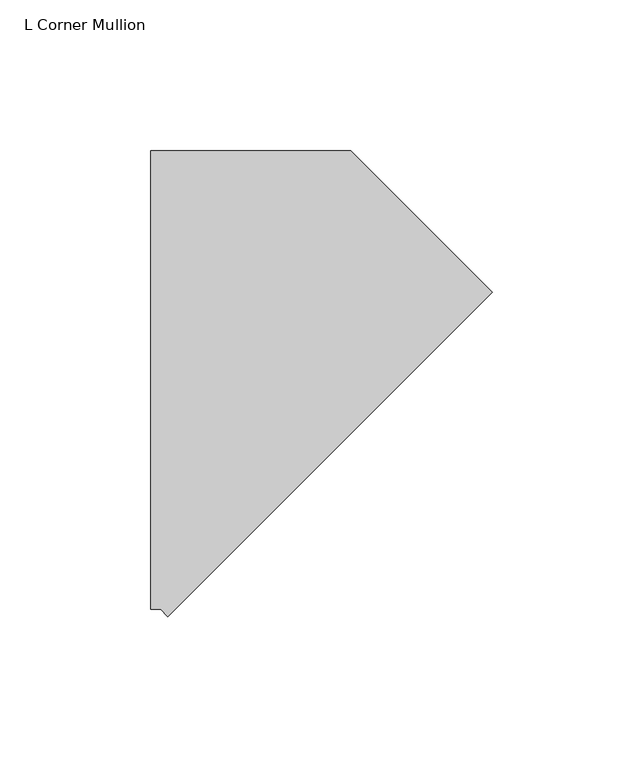
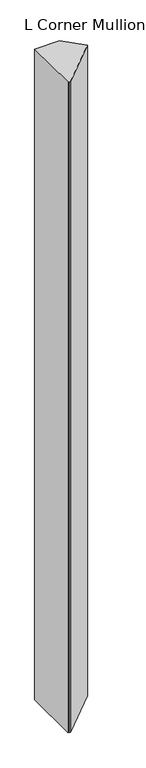
"""IFC4 building model written with IfcOpenShell, lengths in millimetres: member geometry, L Corner Mullion."""

import ifcopenshell
import ifcopenshell.guid

model = None  # the IFC model being written
_history = None  # IfcOwnerHistory: only IFC2X3 demands one
_inside = {}  # id of a spatial element -> (the spatial element, [elements in it])
_under = {}  # id of a project, library or spatial element -> (it, [spatial elements below it])
_declared = {}  # id of a project -> (the project, [libraries it declares])
_typed = {}  # id of a type object -> (the type object, [elements of that type])
_made_of = {}  # id of a material, layer set ... -> (it, [elements and type objects made of it])


def new_model(schema):
    """Start an empty IFC model of exactly this schema.

    Asked for "IFC4X3", IfcOpenShell would pick the latest addendum, in which some entities
    have other attributes; the version numbers below select the first issue.
    IFC2X3 requires an IfcOwnerHistory on every rooted entity: one is made here for all.
    """
    global model, _history
    if schema == "IFC4X3":
        model = ifcopenshell.file(schema_version=(4, 3, 0, 0))
    else:
        model = ifcopenshell.file(schema=schema)
    _inside.clear()
    _under.clear()
    _declared.clear()
    _typed.clear()
    _made_of.clear()
    _history = None
    if model.schema == "IFC2X3":
        org = make("IfcOrganization", Name="unknown")
        user = make(
            "IfcPersonAndOrganization",
            ThePerson=make("IfcPerson", FamilyName="unknown"),
            TheOrganization=org,
        )
        app = make(
            "IfcApplication",
            ApplicationDeveloper=org,
            Version="unknown",
            ApplicationFullName="unknown",
            ApplicationIdentifier="unknown",
        )
        _history = make(
            "IfcOwnerHistory",
            OwningUser=user,
            OwningApplication=app,
            ChangeAction="ADDED",
            CreationDate=0,
        )
    return model


def make(cls, **values):
    """One entity of the class cls with the attributes given. An attribute that is None is left unset."""
    return model.create_entity(
        cls, **{name: value for name, value in values.items() if value is not None}
    )


def rooted(cls, **values):
    """An entity with a GlobalId (a new one), such as an element, a storey or a relation."""
    return make(cls, GlobalId=ifcopenshell.guid.new(), OwnerHistory=_history, **values)


def si_unit(unit_type, name, prefix=None):
    """IfcSIUnit, for example si_unit("LENGTHUNIT", "METRE", prefix="MILLI")."""
    return make("IfcSIUnit", UnitType=unit_type, Prefix=prefix, Name=name)


def assignment(units):
    """IfcUnitAssignment: the units of a project."""
    return None if units is None else make("IfcUnitAssignment", Units=units)


def point(xyz):
    """IfcCartesianPoint."""
    return None if xyz is None else make("IfcCartesianPoint", Coordinates=xyz)


def direction(xyz):
    """IfcDirection."""
    return None if xyz is None else make("IfcDirection", DirectionRatios=xyz)


def frame(location, z_axis=None, x_axis=None):
    """IfcAxis2Placement3D, a coordinate frame: its origin and axes. An axis left out is left unset."""
    return make(
        "IfcAxis2Placement3D",
        Location=point(location),
        Axis=direction(z_axis),
        RefDirection=direction(x_axis),
    )


def origin():
    """The frame at (0, 0, 0) with its axes left unset."""
    return frame((0.0, 0.0, 0.0))


def place(relative_to, where):
    """IfcLocalPlacement: puts the frame where relative to a parent placement (None: the world)."""
    return make(
        "IfcLocalPlacement", PlacementRelTo=relative_to, RelativePlacement=where
    )


def context(
    kind, dimensions, precision=None, world=None, true_north=None, identifier=None
):
    """IfcGeometricRepresentationContext, for example the 3D "Model" context."""
    return make(
        "IfcGeometricRepresentationContext",
        ContextIdentifier=identifier,
        ContextType=kind,
        CoordinateSpaceDimension=dimensions,
        Precision=precision,
        WorldCoordinateSystem=world,
        TrueNorth=true_north,
    )


def project(units=None, contexts=None):
    """IfcProject with its units and contexts."""
    return rooted(
        "IfcProject",
        Name="project",
        RepresentationContexts=contexts,
        UnitsInContext=assignment(units),
    )


def spatial(cls, under=None, at=None, **own):
    """A site, building, storey or space (cls), placed at a placement, below another one or the project."""
    s = rooted(cls, ObjectPlacement=at, **own)
    if under is not None:
        _under.setdefault(under.id(), (under, []))[1].append(s)
    return s


def polyline(points):
    """IfcPolyline through the points."""
    return make("IfcPolyline", Points=[point(p) for p in points])


def outline(outer, holes=None, kind="AREA"):
    """IfcArbitraryClosedProfileDef: a profile drawn as a closed curve; with holes, ...WithVoids."""
    if holes is None:
        return make("IfcArbitraryClosedProfileDef", ProfileType=kind, OuterCurve=outer)
    return make(
        "IfcArbitraryProfileDefWithVoids",
        ProfileType=kind,
        OuterCurve=outer,
        InnerCurves=holes,
    )


def extrude(swept, where, along, depth):
    """IfcExtrudedAreaSolid: the profile swept, set in the frame where, extruded along a direction by depth."""
    return make(
        "IfcExtrudedAreaSolid",
        SweptArea=swept,
        Position=where,
        ExtrudedDirection=direction(along),
        Depth=depth,
    )


def shape(context_of_items, identifier, shape_type, items):
    """IfcShapeRepresentation: the items that make up one representation, for example the "Body"."""
    return make(
        "IfcShapeRepresentation",
        ContextOfItems=context_of_items,
        RepresentationIdentifier=identifier,
        RepresentationType=shape_type,
        Items=items,
    )


def source(mapping_origin, context_of_items, identifier, shape_type, items):
    """IfcRepresentationMap: a shape defined once, which mapped items show again and again."""
    return make(
        "IfcRepresentationMap",
        MappingOrigin=mapping_origin,
        MappedRepresentation=shape(context_of_items, identifier, shape_type, items),
    )


def transform(
    local_origin,
    x_axis=None,
    y_axis=None,
    z_axis=None,
    scale=None,
    scale2=None,
    scale3=None,
    uniform=True,
):
    """IfcCartesianTransformationOperator3D, or its non-uniform kind. x_axis, y_axis, z_axis: its Axis1, 2, 3."""
    if uniform:
        return make(
            "IfcCartesianTransformationOperator3D",
            Axis1=direction(x_axis),
            Axis2=direction(y_axis),
            LocalOrigin=point(local_origin),
            Scale=scale,
            Axis3=direction(z_axis),
        )
    return make(
        "IfcCartesianTransformationOperator3DnonUniform",
        Axis1=direction(x_axis),
        Axis2=direction(y_axis),
        LocalOrigin=point(local_origin),
        Scale=scale,
        Axis3=direction(z_axis),
        Scale2=scale2,
        Scale3=scale3,
    )


def mapped(mapping_source, mapping_target):
    """IfcMappedItem: shows the shape of a source again, moved by a transform."""
    return make(
        "IfcMappedItem", MappingSource=mapping_source, MappingTarget=mapping_target
    )


def made_of(thing, what):
    """Note that an element or type object is made of a material, layer set ...; save() writes the relation."""
    if what is not None:
        _made_of.setdefault(what.id(), (what, []))[1].append(thing)
    return thing


def element(
    cls,
    number,
    at=None,
    inside=None,
    cuts=None,
    type_object=None,
    material=None,
    context=None,
    identifier="Body",
    shape_type=None,
    held_by="IfcProductDefinitionShape",
    body=None,
    shapes=None,
    **own,
):
    """One element of the class cls, such as IfcWall. Its Tag is "e" and its number.

    at: its placement. inside: the storey or other place that contains it. cuts: it is an
    opening in that element (IfcRelVoidsElement). A single representation is given by context,
    identifier, shape_type and body (its items); several are given by shapes. held_by: the class
    of the entity that holds the representations. save() writes the other relations.
    """
    e = rooted(cls, Tag="e%d" % number, ObjectPlacement=at, **own)
    if body is not None:
        shapes = [shape(context, identifier, shape_type, body)]
    if shapes is not None:
        e.Representation = make(held_by, Representations=shapes)
    if inside is not None:
        _inside.setdefault(inside.id(), (inside, []))[1].append(e)
    if cuts is not None:
        rooted(
            "IfcRelVoidsElement", RelatingBuildingElement=cuts, RelatedOpeningElement=e
        )
    if type_object is not None:
        _typed.setdefault(type_object.id(), (type_object, []))[1].append(e)
    return made_of(e, material)


def aggregate(whole, parts):
    """IfcRelAggregates: a whole, such as a stair, and the parts it consists of."""
    return rooted("IfcRelAggregates", RelatingObject=whole, RelatedObjects=parts)


def save(model, path):
    """Write the relations noted so far, then the file.

    IfcRelAggregates (storeys below a building ...), IfcRelContainedInSpatialStructure (elements
    in a storey), IfcRelDefinesByType, IfcRelAssociatesMaterial and IfcRelDeclares: one each for
    every whole, place, type object, material and project.
    """
    for whole, parts in _under.values():
        aggregate(whole, parts)
    for where, things in _inside.values():
        rooted(
            "IfcRelContainedInSpatialStructure",
            RelatedElements=things,
            RelatingStructure=where,
        )
    for kind, things in _typed.values():
        rooted("IfcRelDefinesByType", RelatedObjects=things, RelatingType=kind)
    for what, things in _made_of.values():
        rooted("IfcRelAssociatesMaterial", RelatedObjects=things, RelatingMaterial=what)
    for by, libraries in _declared.values():
        rooted("IfcRelDeclares", RelatingContext=by, RelatedDefinitions=libraries)
    model.write(path)


def l_corner_mullion_db0b0585(model_context):
    return source(origin(), model_context, "Body", "SweptSolid", [
        extrude(outline(polyline([(-48.9127533, -126.2022411), (-51.2899944, -123.825), (-54.6519209, -123.825), (-54.6519209, 28.575), (11.8361525, 28.575), (58.8503202, -18.4391676), (-48.9127533, -126.2022411)])), frame((0.0, 0.0, -1828.8), z_axis=(0.0, 0.0, 1.0), x_axis=(1.0, 0.0, 0.0)), (0.0, 0.0, 1.0), 1828.8),
    ])


if __name__ == "__main__":
    model = new_model("IFC4")
    model_context = context("Model", 3, world=origin())
    ifc_project = project(units=[si_unit("LENGTHUNIT", "METRE", prefix="MILLI")], contexts=[model_context])
    site = spatial("IfcSite", under=ifc_project)
    building = spatial("IfcBuilding", under=site)
    placement = place(None, origin())
    l_corner_mullion_shape = l_corner_mullion_db0b0585(model_context)
    element("IfcMember", 1, ObjectType="L Corner Mullion", at=placement, inside=building, context=model_context, shape_type="MappedRepresentation", body=[
        mapped(l_corner_mullion_shape, transform((0.0, 0.0, 0.0), x_axis=(1.0, 0.0, 0.0), y_axis=(0.0, 1.0, 0.0), z_axis=(0.0, 0.0, 1.0))),
    ])
    save(model, "model.ifc")
